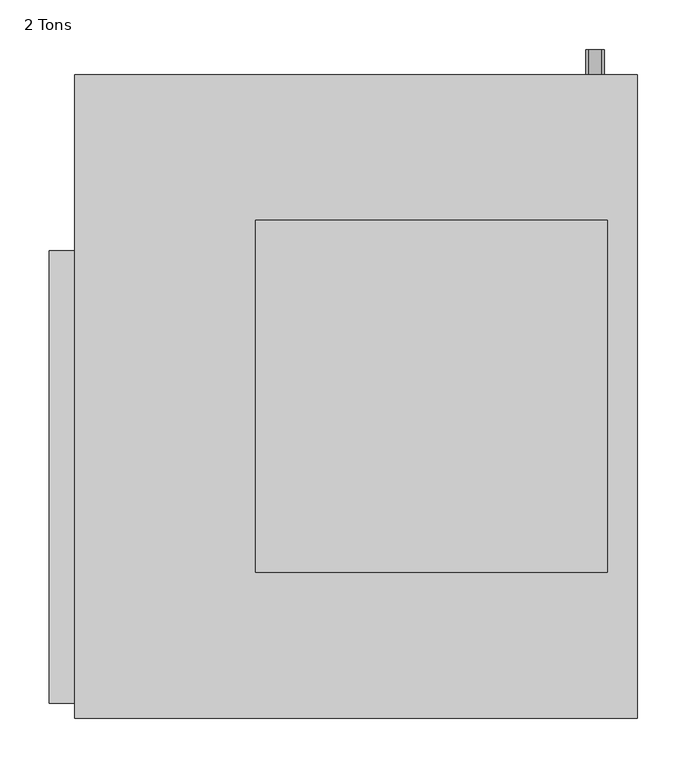
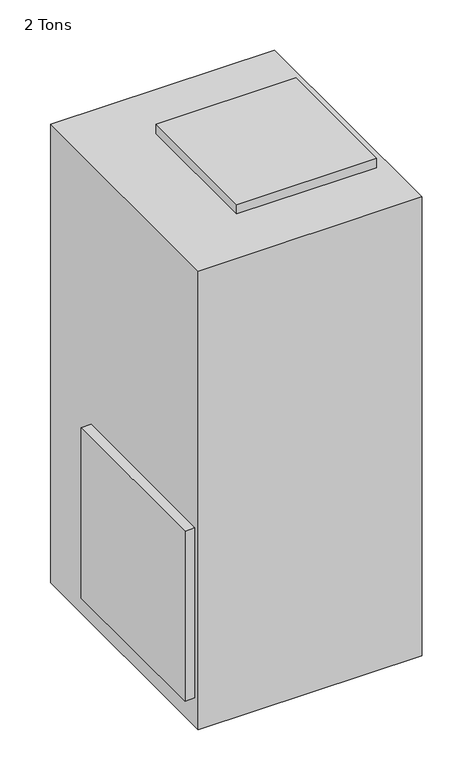
"""IFC4 building model written with IfcOpenShell, lengths in millimetres: proxy geometry, 2 Tons."""

from ifc_helpers import new_model, si_unit, frame, origin, place, context, project, spatial, circle_curve, source, transform, mapped, element, save
from ifc_brep_helpers import plane_surface, cylinder_surface, advanced_brep


def proxy_2_tons_ea44ac31(model_context):
    return source(origin(), model_context, "Body", "AdvancedBrep", [
        advanced_brep(
        [(568.9203125, -650.2796875, 1231.9), (568.9203125, 0.0, 1231.9), (0.0, 0.0, 1231.9), (0.0, -650.2796875, 1231.9), (182.8601563, -502.9398437, 1231.9), (182.8601563, -147.3398437, 1231.9), (538.4601563, -147.3398437, 1231.9), (538.4601563, -502.9398437, 1231.9), (568.9203125, -650.2796875, 0.0), (0.0, -650.2796875, 0.0), (0.0, 0.0, 0.0), (568.9203125, 0.0, 0.0), (0.0, -635.0, 76.2), (0.0, -177.8, 76.2), (0.0, -177.8, 533.4), (0.0, -635.0, 533.4), (535.7733125, 0.0, 53.3796875), (516.7233125, 0.0, 53.3796875), (535.7733125, 0.0, 198.12), (516.7233125, 0.0, 198.12), (535.7733125, 0.0, 254.0), (516.7233125, 0.0, 254.0), (532.5983125, 0.0, 353.0203125), (519.8983125, 0.0, 353.0203125), (532.5983125, 0.0, 429.2203125), (519.8983125, 0.0, 429.2203125), (538.4601563, -502.9398437, 1257.3), (538.4601563, -147.3398437, 1257.3), (182.8601563, -147.3398437, 1257.3), (182.8601563, -502.9398437, 1257.3), (-25.4, -635.0, 76.2), (-25.4, -635.0, 533.4), (-25.4, -177.8, 533.4), (-25.4, -177.8, 76.2), (516.7233125, 25.4, 53.3796875), (535.7733125, 25.4, 53.3796875), (516.7233125, 25.4, 198.12), (535.7733125, 25.4, 198.12), (516.7233125, 25.4, 254.0), (535.7733125, 25.4, 254.0), (519.8983125, 25.4, 353.0203125), (532.5983125, 25.4, 353.0203125), (519.8983125, 25.4, 429.2203125), (532.5983125, 25.4, 429.2203125)],
        [
            (0, 1),
            (1, 2),
            (2, 3),
            (3, 0),
            (4, 5),
            (5, 6),
            (6, 7),
            (7, 4),
            (8, 9),
            (9, 10),
            (10, 11),
            (11, 8),
            (3, 9),
            (8, 0),
            (2, 10),
            (12, 13),
            (13, 14),
            (14, 15),
            (15, 12),
            (1, 11),
            (16, 17, circle_curve(frame((526.2483125, 0.0, 53.3796875), z_axis=(0.0, -1.0, 0.0), x_axis=(1.0, 0.0, 0.0)), 9.525)),
            (17, 16, circle_curve(frame((526.2483125, 0.0, 53.3796875), z_axis=(0.0, -1.0, 0.0), x_axis=(1.0, 0.0, 0.0)), 9.525)),
            (18, 19, circle_curve(frame((526.2483125, 0.0, 198.12), z_axis=(0.0, -1.0, 0.0), x_axis=(1.0, 0.0, 0.0)), 9.525)),
            (19, 18, circle_curve(frame((526.2483125, 0.0, 198.12), z_axis=(0.0, -1.0, 0.0), x_axis=(1.0, 0.0, 0.0)), 9.525)),
            (20, 21, circle_curve(frame((526.2483125, 0.0, 254.0), z_axis=(0.0, -1.0, 0.0), x_axis=(1.0, 0.0, 0.0)), 9.525)),
            (21, 20, circle_curve(frame((526.2483125, 0.0, 254.0), z_axis=(0.0, -1.0, 0.0), x_axis=(1.0, 0.0, 0.0)), 9.525)),
            (22, 23, circle_curve(frame((526.2483125, 0.0, 353.0203125), z_axis=(0.0, -1.0, 0.0), x_axis=(1.0, 0.0, 0.0)), 6.35)),
            (23, 22, circle_curve(frame((526.2483125, 0.0, 353.0203125), z_axis=(0.0, -1.0, 0.0), x_axis=(1.0, 0.0, 0.0)), 6.35)),
            (24, 25, circle_curve(frame((526.2483125, 0.0, 429.2203125), z_axis=(0.0, -1.0, 0.0), x_axis=(1.0, 0.0, 0.0)), 6.35)),
            (25, 24, circle_curve(frame((526.2483125, 0.0, 429.2203125), z_axis=(0.0, -1.0, 0.0), x_axis=(1.0, 0.0, 0.0)), 6.35)),
            (26, 27),
            (27, 28),
            (28, 29),
            (29, 26),
            (29, 4),
            (7, 26),
            (28, 5),
            (27, 6),
            (30, 31),
            (31, 32),
            (32, 33),
            (33, 30),
            (30, 12),
            (15, 31),
            (14, 32),
            (13, 33),
            (34, 35, circle_curve(frame((526.2483125, 25.4, 53.3796875), z_axis=(0.0, 1.0, 0.0), x_axis=(1.0, 0.0, 0.0)), 9.525)),
            (35, 34, circle_curve(frame((526.2483125, 25.4, 53.3796875), z_axis=(0.0, 1.0, 0.0), x_axis=(1.0, 0.0, 0.0)), 9.525)),
            (35, 16),
            (17, 34),
            (36, 37, circle_curve(frame((526.2483125, 25.4, 198.12), z_axis=(0.0, 1.0, 0.0), x_axis=(1.0, 0.0, 0.0)), 9.525)),
            (37, 36, circle_curve(frame((526.2483125, 25.4, 198.12), z_axis=(0.0, 1.0, 0.0), x_axis=(1.0, 0.0, 0.0)), 9.525)),
            (37, 18),
            (19, 36),
            (38, 39, circle_curve(frame((526.2483125, 25.4, 254.0), z_axis=(0.0, 1.0, 0.0), x_axis=(1.0, 0.0, 0.0)), 9.525)),
            (39, 38, circle_curve(frame((526.2483125, 25.4, 254.0), z_axis=(0.0, 1.0, 0.0), x_axis=(1.0, 0.0, 0.0)), 9.525)),
            (39, 20),
            (21, 38),
            (40, 41, circle_curve(frame((526.2483125, 25.4, 353.0203125), z_axis=(0.0, 1.0, 0.0), x_axis=(1.0, 0.0, 0.0)), 6.35)),
            (41, 40, circle_curve(frame((526.2483125, 25.4, 353.0203125), z_axis=(0.0, 1.0, 0.0), x_axis=(1.0, 0.0, 0.0)), 6.35)),
            (41, 22),
            (23, 40),
            (42, 43, circle_curve(frame((526.2483125, 25.4, 429.2203125), z_axis=(0.0, 1.0, 0.0), x_axis=(1.0, 0.0, 0.0)), 6.35)),
            (43, 42, circle_curve(frame((526.2483125, 25.4, 429.2203125), z_axis=(0.0, 1.0, 0.0), x_axis=(1.0, 0.0, 0.0)), 6.35)),
            (43, 24),
            (25, 42),
        ],
        [
            plane_surface(frame((0.0, -650.2796875, 1231.9), z_axis=(0.0, 0.0, 1.0), x_axis=(-1.0, 0.0, 0.0))),
            plane_surface(frame((0.0, -650.2796875, 0.0), z_axis=(0.0, 0.0, -1.0), x_axis=(1.0, 0.0, 0.0))),
            plane_surface(frame((568.9203125, -650.2796875, 1231.9), z_axis=(0.0, -1.0, 0.0), x_axis=(0.0, 0.0, -1.0))),
            plane_surface(frame((0.0, -650.2796875, 1231.9), z_axis=(-1.0, 0.0, 0.0), x_axis=(0.0, 0.0, -1.0))),
            plane_surface(frame((0.0, 0.0, 1231.9), z_axis=(0.0, 1.0, 0.0), x_axis=(0.0, 0.0, -1.0))),
            plane_surface(frame((568.9203125, 0.0, 1231.9), z_axis=(1.0, 0.0, 0.0), x_axis=(0.0, 0.0, -1.0))),
            plane_surface(frame((182.8601563, -502.9398437, 1257.3), z_axis=(0.0, 0.0, 1.0), x_axis=(-1.0, 0.0, 0.0))),
            plane_surface(frame((538.4601563, -502.9398437, 1257.3), z_axis=(0.0, -1.0, 0.0), x_axis=(0.0, 0.0, -1.0))),
            plane_surface(frame((182.8601563, -502.9398437, 1257.3), z_axis=(-1.0, 0.0, 0.0), x_axis=(0.0, 0.0, -1.0))),
            plane_surface(frame((182.8601563, -147.3398437, 1257.3), z_axis=(0.0, 1.0, 0.0), x_axis=(0.0, 0.0, -1.0))),
            plane_surface(frame((538.4601563, -147.3398437, 1257.3), z_axis=(1.0, 0.0, 0.0), x_axis=(0.0, 0.0, -1.0))),
            plane_surface(frame((-25.4, -635.0, 76.2), z_axis=(-1.0, 0.0, 0.0), x_axis=(0.0, 0.0, -1.0))),
            plane_surface(frame((0.0, -635.0, 76.2), z_axis=(0.0, -1.0, 0.0), x_axis=(-1.0, 0.0, 0.0))),
            plane_surface(frame((0.0, -635.0, 533.4), z_axis=(0.0, 0.0, 1.0), x_axis=(-1.0, 0.0, 0.0))),
            plane_surface(frame((0.0, -177.8, 533.4), z_axis=(0.0, 1.0, 0.0), x_axis=(-1.0, 0.0, 0.0))),
            plane_surface(frame((0.0, -177.8, 76.2), z_axis=(0.0, 0.0, -1.0), x_axis=(-1.0, 0.0, 0.0))),
            plane_surface(frame((535.7733125, 25.4, 53.3796875), z_axis=(0.0, 1.0, 0.0), x_axis=(0.0, 0.0, 1.0))),
            cylinder_surface(frame((526.2483125, 0.0, 53.3796875), z_axis=(0.0, 1.0, 0.0), x_axis=(1.0, 0.0, 0.0)), 9.525),
            plane_surface(frame((535.7733125, 25.4, 198.12), z_axis=(0.0, 1.0, 0.0), x_axis=(0.0, 0.0, 1.0))),
            cylinder_surface(frame((526.2483125, 0.0, 198.12), z_axis=(0.0, 1.0, 0.0), x_axis=(1.0, 0.0, 0.0)), 9.525),
            plane_surface(frame((535.7733125, 25.4, 254.0), z_axis=(0.0, 1.0, 0.0), x_axis=(0.0, 0.0, 1.0))),
            cylinder_surface(frame((526.2483125, 0.0, 254.0), z_axis=(0.0, 1.0, 0.0), x_axis=(1.0, 0.0, 0.0)), 9.525),
            plane_surface(frame((532.5983125, 25.4, 353.0203125), z_axis=(0.0, 1.0, 0.0), x_axis=(0.0, 0.0, 1.0))),
            cylinder_surface(frame((526.2483125, 0.0, 353.0203125), z_axis=(0.0, 1.0, 0.0), x_axis=(1.0, 0.0, 0.0)), 6.35),
            plane_surface(frame((532.5983125, 25.4, 429.2203125), z_axis=(0.0, 1.0, 0.0), x_axis=(0.0, 0.0, 1.0))),
            cylinder_surface(frame((526.2483125, 0.0, 429.2203125), z_axis=(0.0, 1.0, 0.0), x_axis=(1.0, 0.0, 0.0)), 6.35),
        ],
        [
            (0, [[1, 2, 3, 4], [5, 6, 7, 8]]),
            (1, [[9, 10, 11, 12]]),
            (2, [[13, -9, 14, -4]]),
            (3, [[15, -10, -13, -3], [16, 17, 18, 19]]),
            (4, [[20, -11, -15, -2], [21, 22], [23, 24], [25, 26], [27, 28], [29, 30]]),
            (5, [[-14, -12, -20, -1]]),
            (6, [[31, 32, 33, 34]]),
            (7, [[35, -8, 36, -34]]),
            (8, [[37, -5, -35, -33]]),
            (9, [[38, -6, -37, -32]]),
            (10, [[-36, -7, -38, -31]]),
            (11, [[39, 40, 41, 42]]),
            (12, [[43, -19, 44, -39]]),
            (13, [[-44, -18, 45, -40]]),
            (14, [[-45, -17, 46, -41]]),
            (15, [[-46, -16, -43, -42]]),
            (16, [[47, 48]]),
            (17, [[49, -22, 50, -48]]),
            (17, [[-50, -21, -49, -47]]),
            (18, [[51, 52]]),
            (19, [[53, -24, 54, -52]]),
            (19, [[-54, -23, -53, -51]]),
            (20, [[55, 56]]),
            (21, [[57, -26, 58, -56]]),
            (21, [[-58, -25, -57, -55]]),
            (22, [[59, 60]]),
            (23, [[61, -28, 62, -60]]),
            (23, [[-62, -27, -61, -59]]),
            (24, [[63, 64]]),
            (25, [[65, -30, 66, -64]]),
            (25, [[-66, -29, -65, -63]]),
        ],
    ),
    ])


if __name__ == "__main__":
    model = new_model("IFC4")
    model_context = context("Model", 3, world=origin())
    ifc_project = project(units=[si_unit("LENGTHUNIT", "METRE", prefix="MILLI")], contexts=[model_context])
    site = spatial("IfcSite", under=ifc_project)
    building = spatial("IfcBuilding", under=site)
    placement = place(None, origin())
    proxy_2_tons_shape = proxy_2_tons_ea44ac31(model_context)
    element("IfcBuildingElementProxy", 1, Name="2 Tons", ObjectType="2 Tons", at=placement, inside=building, context=model_context, shape_type="MappedRepresentation", body=[
        mapped(proxy_2_tons_shape, transform((0.0, 0.0, 0.0), x_axis=(1.0, 0.0, 0.0), y_axis=(0.0, 1.0, 0.0), z_axis=(0.0, 0.0, 1.0))),
    ])
    save(model, "model.ifc")
